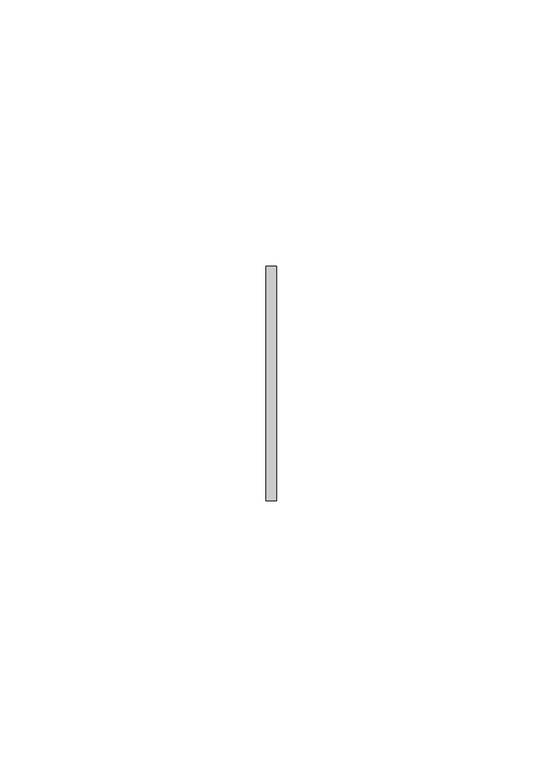
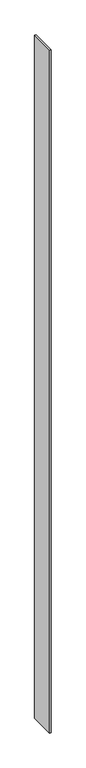
"""IFC4 building model written with IfcOpenShell, lengths in millimetres: member geometry."""

from ifc_helpers import new_model, si_unit, frame, origin, place, context, project, spatial, polyline, outline, extrude, source, transform, mapped, element, save


def member_fbbafbff(model_context):
    return source(origin(), model_context, "Body", "SweptSolid", [
        extrude(outline(polyline([(1.0, 22.0), (1.0, -22.0), (-1.0, -22.0), (-1.0, 22.0), (1.0, 22.0)])), frame((0.0, 0.0, -1220.0000003), z_axis=(0.0, 0.0, 1.0), x_axis=(1.0, 0.0, 0.0)), (0.0, 0.0, 1.0), 1220.0000003),
    ])


if __name__ == "__main__":
    model = new_model("IFC4")
    model_context = context("Model", 3, world=origin())
    ifc_project = project(units=[si_unit("LENGTHUNIT", "METRE", prefix="MILLI")], contexts=[model_context])
    site = spatial("IfcSite", under=ifc_project)
    building = spatial("IfcBuilding", under=site)
    placement = place(None, origin())
    member_shape = member_fbbafbff(model_context)
    element("IfcMember", 1, at=placement, inside=building, context=model_context, shape_type="MappedRepresentation", body=[
        mapped(member_shape, transform((0.0, 0.0, 0.0), x_axis=(1.0, 0.0, 0.0), y_axis=(0.0, 1.0, 0.0), z_axis=(0.0, 0.0, 1.0))),
    ])
    save(model, "model.ifc")
